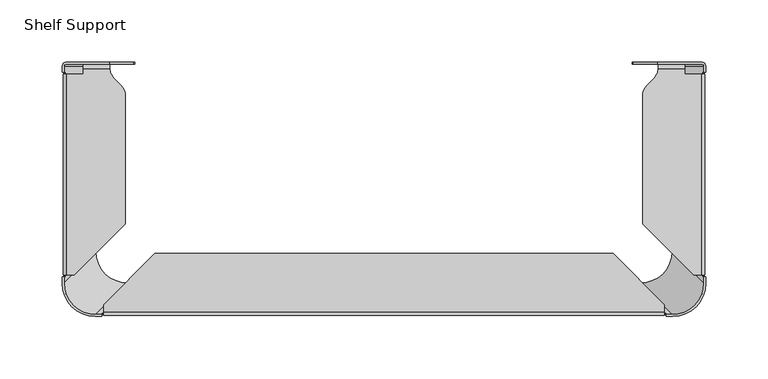
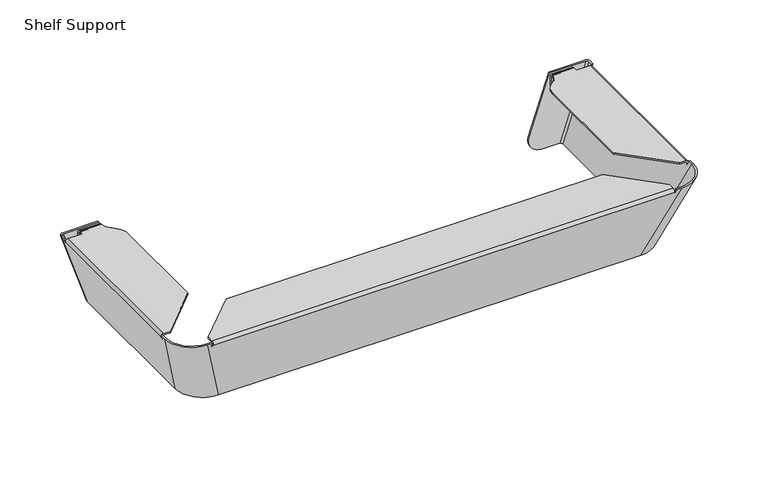
"""IFC4 building model written with IfcOpenShell, lengths in millimetres: furniture geometry, Shelf Support."""

import ifcopenshell
import ifcopenshell.guid

model = None  # the IFC model being written
_history = None  # IfcOwnerHistory: only IFC2X3 demands one
_inside = {}  # id of a spatial element -> (the spatial element, [elements in it])
_under = {}  # id of a project, library or spatial element -> (it, [spatial elements below it])
_declared = {}  # id of a project -> (the project, [libraries it declares])
_typed = {}  # id of a type object -> (the type object, [elements of that type])
_made_of = {}  # id of a material, layer set ... -> (it, [elements and type objects made of it])


def new_model(schema):
    """Start an empty IFC model of exactly this schema.

    Asked for "IFC4X3", IfcOpenShell would pick the latest addendum, in which some entities
    have other attributes; the version numbers below select the first issue.
    IFC2X3 requires an IfcOwnerHistory on every rooted entity: one is made here for all.
    """
    global model, _history
    if schema == "IFC4X3":
        model = ifcopenshell.file(schema_version=(4, 3, 0, 0))
    else:
        model = ifcopenshell.file(schema=schema)
    _inside.clear()
    _under.clear()
    _declared.clear()
    _typed.clear()
    _made_of.clear()
    _history = None
    if model.schema == "IFC2X3":
        org = make("IfcOrganization", Name="unknown")
        user = make(
            "IfcPersonAndOrganization",
            ThePerson=make("IfcPerson", FamilyName="unknown"),
            TheOrganization=org,
        )
        app = make(
            "IfcApplication",
            ApplicationDeveloper=org,
            Version="unknown",
            ApplicationFullName="unknown",
            ApplicationIdentifier="unknown",
        )
        _history = make(
            "IfcOwnerHistory",
            OwningUser=user,
            OwningApplication=app,
            ChangeAction="ADDED",
            CreationDate=0,
        )
    return model


def make(cls, **values):
    """One entity of the class cls with the attributes given. An attribute that is None is left unset."""
    return model.create_entity(
        cls, **{name: value for name, value in values.items() if value is not None}
    )


def rooted(cls, **values):
    """An entity with a GlobalId (a new one), such as an element, a storey or a relation."""
    return make(cls, GlobalId=ifcopenshell.guid.new(), OwnerHistory=_history, **values)


def si_unit(unit_type, name, prefix=None):
    """IfcSIUnit, for example si_unit("LENGTHUNIT", "METRE", prefix="MILLI")."""
    return make("IfcSIUnit", UnitType=unit_type, Prefix=prefix, Name=name)


def assignment(units):
    """IfcUnitAssignment: the units of a project."""
    return None if units is None else make("IfcUnitAssignment", Units=units)


def point(xyz):
    """IfcCartesianPoint."""
    return None if xyz is None else make("IfcCartesianPoint", Coordinates=xyz)


def direction(xyz):
    """IfcDirection."""
    return None if xyz is None else make("IfcDirection", DirectionRatios=xyz)


def frame(location, z_axis=None, x_axis=None):
    """IfcAxis2Placement3D, a coordinate frame: its origin and axes. An axis left out is left unset."""
    return make(
        "IfcAxis2Placement3D",
        Location=point(location),
        Axis=direction(z_axis),
        RefDirection=direction(x_axis),
    )


def frame_2d(location, x_axis=None):
    """IfcAxis2Placement2D, a coordinate frame in the plane: its origin and x axis."""
    return make(
        "IfcAxis2Placement2D", Location=point(location), RefDirection=direction(x_axis)
    )


def origin():
    """The frame at (0, 0, 0) with its axes left unset."""
    return frame((0.0, 0.0, 0.0))


def place(relative_to, where):
    """IfcLocalPlacement: puts the frame where relative to a parent placement (None: the world)."""
    return make(
        "IfcLocalPlacement", PlacementRelTo=relative_to, RelativePlacement=where
    )


def context(
    kind, dimensions, precision=None, world=None, true_north=None, identifier=None
):
    """IfcGeometricRepresentationContext, for example the 3D "Model" context."""
    return make(
        "IfcGeometricRepresentationContext",
        ContextIdentifier=identifier,
        ContextType=kind,
        CoordinateSpaceDimension=dimensions,
        Precision=precision,
        WorldCoordinateSystem=world,
        TrueNorth=true_north,
    )


def project(units=None, contexts=None):
    """IfcProject with its units and contexts."""
    return rooted(
        "IfcProject",
        Name="project",
        RepresentationContexts=contexts,
        UnitsInContext=assignment(units),
    )


def spatial(cls, under=None, at=None, **own):
    """A site, building, storey or space (cls), placed at a placement, below another one or the project."""
    s = rooted(cls, ObjectPlacement=at, **own)
    if under is not None:
        _under.setdefault(under.id(), (under, []))[1].append(s)
    return s


def polyline(points):
    """IfcPolyline through the points."""
    return make("IfcPolyline", Points=[point(p) for p in points])


def circle_curve(where, radius):
    """IfcCircle in the frame where."""
    return make("IfcCircle", Position=where, Radius=radius)


def ellipse_curve(where, semi_axis1, semi_axis2):
    """IfcEllipse in the frame where."""
    return make(
        "IfcEllipse", Position=where, SemiAxis1=semi_axis1, SemiAxis2=semi_axis2
    )


def trimmed(basis, trim1, trim2, sense, master):
    """IfcTrimmedCurve: the piece of a basis curve between two trims."""
    return make(
        "IfcTrimmedCurve",
        BasisCurve=basis,
        Trim1=trim1,
        Trim2=trim2,
        SenseAgreement=sense,
        MasterRepresentation=master,
    )


def segment(curve, same_sense, transition):
    """IfcCompositeCurveSegment."""
    return make(
        "IfcCompositeCurveSegment",
        Transition=transition,
        SameSense=same_sense,
        ParentCurve=curve,
    )


def composite_curve(segments, self_intersect=None):
    """IfcCompositeCurve: segments joined end to end."""
    return make("IfcCompositeCurve", Segments=segments, SelfIntersect=self_intersect)


def outline(outer, holes=None, kind="AREA"):
    """IfcArbitraryClosedProfileDef: a profile drawn as a closed curve; with holes, ...WithVoids."""
    if holes is None:
        return make("IfcArbitraryClosedProfileDef", ProfileType=kind, OuterCurve=outer)
    return make(
        "IfcArbitraryProfileDefWithVoids",
        ProfileType=kind,
        OuterCurve=outer,
        InnerCurves=holes,
    )


def extrude(swept, where, along, depth):
    """IfcExtrudedAreaSolid: the profile swept, set in the frame where, extruded along a direction by depth."""
    return make(
        "IfcExtrudedAreaSolid",
        SweptArea=swept,
        Position=where,
        ExtrudedDirection=direction(along),
        Depth=depth,
    )


def shape(context_of_items, identifier, shape_type, items):
    """IfcShapeRepresentation: the items that make up one representation, for example the "Body"."""
    return make(
        "IfcShapeRepresentation",
        ContextOfItems=context_of_items,
        RepresentationIdentifier=identifier,
        RepresentationType=shape_type,
        Items=items,
    )


def source(mapping_origin, context_of_items, identifier, shape_type, items):
    """IfcRepresentationMap: a shape defined once, which mapped items show again and again."""
    return make(
        "IfcRepresentationMap",
        MappingOrigin=mapping_origin,
        MappedRepresentation=shape(context_of_items, identifier, shape_type, items),
    )


def transform(
    local_origin,
    x_axis=None,
    y_axis=None,
    z_axis=None,
    scale=None,
    scale2=None,
    scale3=None,
    uniform=True,
):
    """IfcCartesianTransformationOperator3D, or its non-uniform kind. x_axis, y_axis, z_axis: its Axis1, 2, 3."""
    if uniform:
        return make(
            "IfcCartesianTransformationOperator3D",
            Axis1=direction(x_axis),
            Axis2=direction(y_axis),
            LocalOrigin=point(local_origin),
            Scale=scale,
            Axis3=direction(z_axis),
        )
    return make(
        "IfcCartesianTransformationOperator3DnonUniform",
        Axis1=direction(x_axis),
        Axis2=direction(y_axis),
        LocalOrigin=point(local_origin),
        Scale=scale,
        Axis3=direction(z_axis),
        Scale2=scale2,
        Scale3=scale3,
    )


def mapped(mapping_source, mapping_target):
    """IfcMappedItem: shows the shape of a source again, moved by a transform."""
    return make(
        "IfcMappedItem", MappingSource=mapping_source, MappingTarget=mapping_target
    )


def made_of(thing, what):
    """Note that an element or type object is made of a material, layer set ...; save() writes the relation."""
    if what is not None:
        _made_of.setdefault(what.id(), (what, []))[1].append(thing)
    return thing


def element(
    cls,
    number,
    at=None,
    inside=None,
    cuts=None,
    type_object=None,
    material=None,
    context=None,
    identifier="Body",
    shape_type=None,
    held_by="IfcProductDefinitionShape",
    body=None,
    shapes=None,
    **own,
):
    """One element of the class cls, such as IfcWall. Its Tag is "e" and its number.

    at: its placement. inside: the storey or other place that contains it. cuts: it is an
    opening in that element (IfcRelVoidsElement). A single representation is given by context,
    identifier, shape_type and body (its items); several are given by shapes. held_by: the class
    of the entity that holds the representations. save() writes the other relations.
    """
    e = rooted(cls, Tag="e%d" % number, ObjectPlacement=at, **own)
    if body is not None:
        shapes = [shape(context, identifier, shape_type, body)]
    if shapes is not None:
        e.Representation = make(held_by, Representations=shapes)
    if inside is not None:
        _inside.setdefault(inside.id(), (inside, []))[1].append(e)
    if cuts is not None:
        rooted(
            "IfcRelVoidsElement", RelatingBuildingElement=cuts, RelatedOpeningElement=e
        )
    if type_object is not None:
        _typed.setdefault(type_object.id(), (type_object, []))[1].append(e)
    return made_of(e, material)


def aggregate(whole, parts):
    """IfcRelAggregates: a whole, such as a stair, and the parts it consists of."""
    return rooted("IfcRelAggregates", RelatingObject=whole, RelatedObjects=parts)


def save(model, path):
    """Write the relations noted so far, then the file.

    IfcRelAggregates (storeys below a building ...), IfcRelContainedInSpatialStructure (elements
    in a storey), IfcRelDefinesByType, IfcRelAssociatesMaterial and IfcRelDeclares: one each for
    every whole, place, type object, material and project.
    """
    for whole, parts in _under.values():
        aggregate(whole, parts)
    for where, things in _inside.values():
        rooted(
            "IfcRelContainedInSpatialStructure",
            RelatedElements=things,
            RelatingStructure=where,
        )
    for kind, things in _typed.values():
        rooted("IfcRelDefinesByType", RelatedObjects=things, RelatingType=kind)
    for what, things in _made_of.values():
        rooted("IfcRelAssociatesMaterial", RelatedObjects=things, RelatingMaterial=what)
    for by, libraries in _declared.values():
        rooted("IfcRelDeclares", RelatingContext=by, RelatedDefinitions=libraries)
    model.write(path)


def plane_surface(at):
    """IfcPlane: the flat surface through the origin of the frame at, square to its z axis."""
    return make("IfcPlane", Position=at)


def cylinder_surface(at, radius):
    """IfcCylindricalSurface: all points at the distance radius from the z axis of the frame at."""
    return make("IfcCylindricalSurface", Position=at, Radius=radius)


def revolved_surface(curve, axis_point, axis_direction):
    """IfcSurfaceOfRevolution: the curve turned about the line through axis_point along axis_direction."""
    return make(
        "IfcSurfaceOfRevolution",
        SweptCurve=make("IfcArbitraryOpenProfileDef", ProfileType="CURVE", Curve=curve),
        AxisPosition=make("IfcAxis1Placement", Location=point(axis_point), Axis=direction(axis_direction)),
    )


def extruded_surface(curve, direction_of_extrusion, depth):
    """IfcSurfaceOfLinearExtrusion: the curve pushed along a direction by depth."""
    return make(
        "IfcSurfaceOfLinearExtrusion",
        SweptCurve=make("IfcArbitraryOpenProfileDef", ProfileType="CURVE", Curve=curve),
        ExtrudedDirection=direction(direction_of_extrusion),
        Depth=depth,
    )


def spline_surface(u_degree, v_degree, points, u_multiplicities, v_multiplicities, u_knots, v_knots, weights=None):
    """IfcBSplineSurfaceWithKnots; with weights, IfcRationalBSplineSurfaceWithKnots. points: one row for each step in u."""
    own = dict(
        UDegree=u_degree,
        VDegree=v_degree,
        ControlPointsList=[[point(p) for p in row] for row in points],
        SurfaceForm="UNSPECIFIED",
        UClosed=False,
        VClosed=False,
        SelfIntersect=False,
        UMultiplicities=u_multiplicities,
        VMultiplicities=v_multiplicities,
        UKnots=u_knots,
        VKnots=v_knots,
        KnotSpec="UNSPECIFIED",
    )
    if weights is None:
        return make("IfcBSplineSurfaceWithKnots", **own)
    return make("IfcRationalBSplineSurfaceWithKnots", WeightsData=weights, **own)


def advanced_brep(points, edges, surfaces, faces):
    """IfcAdvancedBrep: a solid bounded by faces that lie on surfaces and meet in shared edges.

    An edge is (start, end): straight between two places in points (the first is 0);
    or (start, end, curve); or (start, end, curve, False) where it runs against its curve.
    A face is (place in surfaces, loops), or (place, loops, False) where it looks against
    its surface's normal. A loop lists edges by number (the first is 1), with a minus sign
    where the edge is run from its end to its start. The first loop is the outer one.
    """
    corners = [point(p) for p in points]
    vertices = [make("IfcVertexPoint", VertexGeometry=c) for c in corners]
    made = []
    for start, end, *more in edges:
        made.append(
            make(
                "IfcEdgeCurve",
                EdgeStart=vertices[start],
                EdgeEnd=vertices[end],
                EdgeGeometry=more[0] if more else make("IfcPolyline", Points=[corners[start], corners[end]]),
                SameSense=more[1] if len(more) > 1 else True,
            )
        )
    hull = []
    for where, loops, *sense in faces:
        bounds = []
        for j, loop in enumerate(loops):
            ring = [make("IfcOrientedEdge", EdgeElement=made[abs(k) - 1], Orientation=k > 0) for k in loop]
            bounds.append(
                make(
                    "IfcFaceOuterBound" if j == 0 else "IfcFaceBound",
                    Bound=make("IfcEdgeLoop", EdgeList=ring),
                    Orientation=True,
                )
            )
        hull.append(make("IfcAdvancedFace", Bounds=bounds, FaceSurface=surfaces[where], SameSense=sense[0] if sense else True))
    return make("IfcAdvancedBrep", Outer=make("IfcClosedShell", CfsFaces=hull))


def shelf_support_c69478e1(model_context):
    return source(origin(), model_context, "Body", "SolidModel", [
        extrude(outline(composite_curve([segment(polyline([(-3.4925001, 17.1179992), (-3.4925001, 26.6430185)]), True, "CONTINUOUS"), segment(trimmed(circle_curve(frame_2d((-5.0800099, 26.6430185)), 1.5875098), [point((-3.4925001, 26.6430185))], [point((-5.0800003, 28.2305284))], True, "CARTESIAN"), True, "CONTINUOUS"), segment(polyline([(-5.0800003, 28.2305284), (-5.0800003, 29.8180178)]), True, "CONTINUOUS"), segment(trimmed(circle_curve(frame_2d((-5.0799218, 26.6430185)), 3.1749992), [point((-5.0800003, 29.8180178))], [point((-1.9049225, 26.6430185))], False, "CARTESIAN"), True, "CONTINUOUS"), segment(polyline([(-1.9049225, 26.6430185), (-1.9049225, 17.1179992), (-3.4925001, 17.1179992)]), True, "CONTINUOUS")], self_intersect=False)), frame((-241.5759521, 0.0, 0.0), z_axis=(1.0, 0.0, 0.0), x_axis=(0.0, 1.0, 0.0)), (0.0, 0.0, 1.0), 21.021137),
        extrude(outline(composite_curve([segment(polyline([(-3.4925001, 17.1179992), (-3.4925001, 26.6430185)]), True, "CONTINUOUS"), segment(trimmed(circle_curve(frame_2d((-5.0800099, 26.6430185)), 1.5875098), [point((-3.4925001, 26.6430185))], [point((-5.0800003, 28.2305284))], True, "CARTESIAN"), True, "CONTINUOUS"), segment(polyline([(-5.0800003, 28.2305284), (-5.0800003, 29.8180178)]), True, "CONTINUOUS"), segment(trimmed(circle_curve(frame_2d((-5.0799218, 26.6430185)), 3.1749992), [point((-5.0800003, 29.8180178))], [point((-1.9049225, 26.6430185))], False, "CARTESIAN"), True, "CONTINUOUS"), segment(polyline([(-1.9049225, 26.6430185), (-1.9049225, 17.1179992), (-3.4925001, 17.1179992)]), True, "CONTINUOUS")], self_intersect=False)), frame((220.5548152, 0.0, 0.0), z_axis=(1.0, 0.0, 0.0), x_axis=(0.0, 1.0, 0.0)), (0.0, 0.0, 1.0), 21.021137),
        advanced_brep(
        [(-257.175, -3.496826, 29.8412306), (-255.265674, -1.5875, 29.8412306), (-221.0035966, -1.5875, 29.8412306), (-221.0035966, 0.0, 29.8412306), (-255.3790309, 0.0, 29.8412306), (-258.6810309, -3.302, 29.8412306), (-258.6810309, -7.9374998, 29.8412306), (-257.175, -7.9374998, 29.8412306), (-258.6810309, -178.1630369, 29.8412306), (-232.1380309, -204.7060369, 29.8412306), (-227.0125061, -204.7060369, 29.8412306), (-227.0125061, -203.2000061, 29.8412306), (-231.775, -203.2000061, 29.8412306), (-257.175, -177.8000061, 29.8412306), (-257.175, -173.0374939, 29.8412306), (-258.6810309, -173.0374939, 29.8412306), (232.1380309, -204.7060369, 29.8412306), (258.6810309, -178.1630369, 29.8412306), (258.6810309, -173.0374939, 29.8412306), (257.175, -173.0374939, 29.8412306), (257.175, -177.8000061, 29.8412306), (231.775, -203.2000061, 29.8412306), (227.0125061, -203.2000061, 29.8412306), (227.0125061, -204.7060369, 29.8412306), (258.6810309, -3.302, 29.8412306), (255.3790309, 0.0, 29.8412306), (220.2401957, 0.0, 29.8412306), (220.2401957, -1.5875, 29.8412306), (255.265674, -1.5875, 29.8412306), (257.175, -3.496826, 29.8412306), (257.175, -7.9374998, 29.8412306), (258.6810309, -7.9374998, 29.8412306), (-231.7750061, -3.3655, -46.3819663), (-231.7750061, -152.3999939, -46.3819663), (-206.3750061, -177.7999939, -46.3819663), (206.3750061, -177.7999939, -46.3819663), (231.7750061, -152.3999939, -46.3819663), (231.7750061, -3.3655, -46.3819663), (229.9970061, -1.5875, -46.3819663), (212.24559, -1.5875, -46.3819663), (212.24559, 0.0, -46.3819663), (229.9790369, 0.0, -46.3819663), (233.2810369, -3.302, -46.3819663), (233.2810369, -152.3850676, -46.3819663), (206.3600615, -179.306043, -46.3819663), (-206.3600615, -179.306043, -46.3819663), (-233.2810369, -152.3850676, -46.3819663), (-233.2810369, -3.302, -46.3819663), (-229.9790369, 0.0, -46.3819663), (-213.0089909, 0.0, -46.3819663), (-213.0089909, -1.5875, -46.3819663), (-229.9970061, -1.5875, -46.3819663), (-209.7780594, -1.5875, -45.6108153), (-201.0727165, -1.5875, -29.9514281), (-201.0727165, 0.0, -29.9514281), (-209.7780594, 0.0, -45.6108153), (-257.5346385, -173.0374939, 26.4010055), (-257.2807158, -172.2754939, 25.6390055), (-257.2807158, -171.45, 25.6390055), (-257.5585966, -171.45, 26.4729018), (-257.5585966, -9.525, 26.4729018), (-257.2807158, -9.525, 25.6390055), (-257.2807158, -8.6983263, 25.6390055), (-257.5342474, -7.9374998, 26.399832), (227.0125061, -203.5596445, 26.4010055), (226.2505061, -203.3057219, 25.6390055), (225.4249939, -203.3057219, 25.6390055), (225.4249939, -203.5889132, 26.4888382), (-225.4249939, -203.5889132, 26.4888382), (-225.4249939, -203.3057219, 25.6390055), (-226.2505061, -203.3057219, 25.6390055), (-227.0125061, -203.5596445, 26.4010055), (257.5342474, -7.9374998, 26.399832), (257.2807158, -8.6983263, 25.6390055), (257.2807158, -9.525, 25.6390055), (257.5585966, -9.525, 26.4729018), (257.5585966, -171.45, 26.4729018), (257.2807158, -171.45, 25.6390055), (257.2807158, -172.2754939, 25.6390055), (257.5346385, -173.0374939, 26.4010055), (209.0146585, 0.0, -45.6108153), (200.3093156, 0.0, -29.9514281), (200.3093156, -1.5875, -29.9514281), (209.0146585, -1.5875, -45.6108153), (256.0286076, -173.0374939, 26.4010055), (255.7746849, -172.2754939, 25.6390055), (255.7746849, -171.45, 25.6390055), (256.142003, -171.45, 26.7412955), (256.142003, -9.525, 26.7412955), (255.7746849, -9.525, 25.6390055), (255.7746849, -8.6983263, 25.6390055), (256.0282165, -7.9374998, 26.399832), (-227.0125061, -202.0536128, 26.4010055), (-226.2505061, -201.79969, 25.6390055), (-225.4249939, -201.79969, 25.6390055), (-225.4249939, -202.1219343, 26.6060322), (225.4249939, -202.1219343, 26.6060322), (225.4249939, -201.79969, 25.6390055), (226.2505061, -201.79969, 25.6390055), (227.0125061, -202.0536128, 26.4010055), (-256.0282165, -7.9374998, 26.399832), (-255.7746849, -8.6983263, 25.6390055), (-255.7746849, -9.525, 25.6390055), (-256.142003, -9.525, 26.7412955), (-256.142003, -171.45, 26.7412955), (-255.7746849, -171.45, 25.6390055), (-255.7746849, -172.2754939, 25.6390055), (-256.0286076, -173.0374939, 26.4010055), (-225.4249939, -201.189137, 29.8180291), (-225.4249939, -195.1810369, 29.8180291), (-225.4249939, -195.1810369, 28.2305284), (-225.4249939, -200.9509511, 28.2305284), (225.4249939, -200.9509511, 28.2305284), (225.4249939, -195.1810369, 28.2305284), (225.4249939, -195.1810369, 29.8180291), (225.4249939, -201.189137, 29.8180291), (-184.1500061, -153.9060309, 28.2305284), (184.1500061, -153.9060309, 28.2305284), (-207.881043, -130.175003, 28.2305284), (-249.1560309, -171.45, 28.2305284), (-255.0685213, -171.45, 28.2305284), (-255.0685213, -9.525, 28.2305284), (-241.5759521, -9.525, 28.2305284), (-241.5759521, -5.0800003, 28.2305284), (-220.5548152, -5.0800003, 28.2305284), (-219.8562673, -7.8793823, 28.2305284), (-216.7661686, -13.3398657, 28.2305284), (-211.600783, -18.5052558, 28.2305284), (-207.881043, -27.4855081, 28.2305284), (207.881043, -130.175003, 28.2305284), (207.881043, -27.4855081, 28.2305284), (211.600783, -18.5052558, 28.2305284), (216.7661686, -13.3398657, 28.2305284), (219.8562673, -7.8793823, 28.2305284), (220.5548152, -5.0800003, 28.2305284), (241.5759521, -5.0800003, 28.2305284), (241.5759521, -9.525, 28.2305284), (255.0685213, -9.525, 28.2305284), (255.0685213, -171.45, 28.2305284), (249.1560309, -171.45, 28.2305284), (184.1500061, -153.9060309, 29.8180291), (-184.1500061, -153.9060309, 29.8180291), (-207.881043, -130.175003, 29.8180291), (-207.881043, -27.4855081, 29.8180291), (-211.600783, -18.5052558, 29.8180291), (-216.7661686, -13.3398657, 29.8180291), (-219.8562673, -7.8793823, 29.8180291), (-220.5548152, -5.0800003, 29.8180291), (-241.5759521, -5.0800003, 29.8180291), (-241.5759521, -9.525, 29.8180291), (-255.147333, -9.525, 29.8180291), (-255.147333, -171.45, 29.8180291), (-249.1560309, -171.45, 29.8180291), (207.881043, -130.175003, 29.8180291), (249.1560309, -171.45, 29.8180291), (255.147333, -171.45, 29.8180291), (255.147333, -9.525, 29.8180291), (241.5759521, -9.525, 29.8180291), (241.5759521, -5.0800003, 29.8180291), (220.5548152, -5.0800003, 29.8180291), (219.8562673, -7.8793823, 29.8180291), (216.7661686, -13.3398657, 29.8180291), (211.600783, -18.5052558, 29.8180291), (207.881043, -27.4855081, 29.8180291)],
        [
            (0, 1, circle_curve(frame((-255.265674, -3.496826, 29.8412306), z_axis=(0.0, 0.0, -1.0), x_axis=(1.0, 0.0, 0.0)), 1.909326)),
            (1, 2),
            (2, 3),
            (3, 4),
            (4, 5, circle_curve(frame((-255.3790309, -3.302, 29.8412306), z_axis=(0.0, 0.0, 1.0), x_axis=(1.0, 0.0, 0.0)), 3.302)),
            (5, 6),
            (6, 7),
            (7, 0),
            (8, 9, circle_curve(frame((-232.1380309, -178.1630369, 29.8412306), z_axis=(0.0, 0.0, 1.0), x_axis=(1.0, 0.0, 0.0)), 26.543)),
            (9, 10),
            (10, 11),
            (11, 12),
            (12, 13, circle_curve(frame((-231.775, -177.8000061, 29.8412306), z_axis=(0.0, 0.0, -1.0), x_axis=(1.0, 0.0, 0.0)), 25.4)),
            (13, 14),
            (14, 15),
            (15, 8),
            (16, 17, circle_curve(frame((232.1380309, -178.1630369, 29.8412306), z_axis=(0.0, 0.0, 1.0), x_axis=(-1.0, 0.0, 0.0)), 26.543)),
            (17, 18),
            (18, 19),
            (19, 20),
            (20, 21, circle_curve(frame((231.775, -177.8000061, 29.8412306), z_axis=(0.0, 0.0, -1.0), x_axis=(-1.0, 0.0, 0.0)), 25.4)),
            (21, 22),
            (22, 23),
            (23, 16),
            (24, 25, circle_curve(frame((255.3790309, -3.302, 29.8412306), z_axis=(0.0, 0.0, 1.0), x_axis=(-1.0, 0.0, 0.0)), 3.302)),
            (25, 26),
            (26, 27),
            (27, 28),
            (28, 29, circle_curve(frame((255.265674, -3.496826, 29.8412306), z_axis=(0.0, 0.0, -1.0), x_axis=(-1.0, 0.0, 0.0)), 1.909326)),
            (29, 30),
            (30, 31),
            (31, 24),
            (32, 33),
            (33, 34, circle_curve(frame((-206.3750061, -152.3999939, -46.3819663), z_axis=(0.0, 0.0, 1.0), x_axis=(1.0, 0.0, 0.0)), 25.4)),
            (34, 35),
            (35, 36, circle_curve(frame((206.3750061, -152.3999939, -46.3819663), z_axis=(0.0, 0.0, 1.0), x_axis=(-1.0, 0.0, 0.0)), 25.4)),
            (36, 37),
            (37, 38, circle_curve(frame((229.9970061, -3.3655, -46.3819663), z_axis=(0.0, 0.0, 1.0), x_axis=(-1.0, 0.0, 0.0)), 1.778)),
            (38, 39),
            (39, 40),
            (40, 41),
            (41, 42, circle_curve(frame((229.9790369, -3.302, -46.3819663), z_axis=(0.0, 0.0, -1.0), x_axis=(-1.0, 0.0, 0.0)), 3.302)),
            (42, 43),
            (43, 44, circle_curve(frame((206.3600615, -152.3850676, -46.3819663), z_axis=(0.0, 0.0, -1.0), x_axis=(-1.0, 0.0, 0.0)), 26.9209754)),
            (44, 45),
            (45, 46, circle_curve(frame((-206.3600615, -152.3850676, -46.3819663), z_axis=(0.0, 0.0, -1.0), x_axis=(1.0, 0.0, 0.0)), 26.9209754)),
            (46, 47),
            (47, 48, circle_curve(frame((-229.9790369, -3.302, -46.3819663), z_axis=(0.0, 0.0, -1.0), x_axis=(1.0, 0.0, 0.0)), 3.302)),
            (48, 49),
            (49, 50),
            (50, 51),
            (51, 32, circle_curve(frame((-229.9970061, -3.3655, -46.3819663), z_axis=(0.0, 0.0, 1.0), x_axis=(1.0, 0.0, 0.0)), 1.778)),
            (0, 32),
            (51, 1),
            (50, 52),
            (52, 53, circle_curve(frame((-212.5986138, -1.5875, -33.7933927), z_axis=(0.0, -1.0, 0.0), x_axis=(-1.0, 0.0, 0.0)), 12.1493622)),
            (53, 2),
            (48, 4),
            (3, 54),
            (54, 55, circle_curve(frame((-212.5986138, 0.0, -33.7933927), z_axis=(0.0, 1.0, 0.0), x_axis=(-1.0, 0.0, 0.0)), 12.1493622)),
            (55, 49),
            (47, 5),
            (46, 8),
            (15, 56),
            (56, 57, ellipse_curve(frame((-257.5346385, -172.2754939, 26.4010055), z_axis=(0.9487121887291814, 0.0, 0.31614108077990455), x_axis=(0.31614108077990455, 0.0, -0.9487121887291815)), 0.8031941, 0.762)),
            (57, 58),
            (58, 59),
            (59, 60),
            (60, 61),
            (61, 62),
            (62, 63, ellipse_curve(frame((-257.5342474, -8.6983263, 26.399832), z_axis=(0.9487121887291814, 0.0, 0.31614108077990455), x_axis=(0.31614108077990455, 0.0, -0.9487121887291815)), 0.8019571, 0.7608265)),
            (63, 6),
            (45, 9),
            (44, 16),
            (23, 64),
            (64, 65, ellipse_curve(frame((226.2505061, -203.5596445, 26.4010055), z_axis=(0.0, 0.948712188729184, 0.31614108077989694), x_axis=(0.0, -0.31614108077989667, 0.948712188729184)), 0.8031941, 0.762)),
            (65, 66),
            (66, 67),
            (67, 68),
            (68, 69),
            (69, 70),
            (70, 71, ellipse_curve(frame((-226.2505061, -203.5596445, 26.4010055), z_axis=(0.0, 0.948712188729184, 0.31614108077989694), x_axis=(0.0, -0.31614108077989667, 0.948712188729184)), 0.8031941, 0.762)),
            (71, 10),
            (43, 17),
            (42, 24),
            (31, 72),
            (72, 73, ellipse_curve(frame((257.5342474, -8.6983263, 26.399832), z_axis=(-0.9487121887291814, 0.0, 0.31614108077990455), x_axis=(0.3161410807799046, 0.0, 0.9487121887291813)), 0.8019571, 0.7608265)),
            (73, 74),
            (74, 75),
            (75, 76),
            (76, 77),
            (77, 78),
            (78, 79, ellipse_curve(frame((257.5346385, -172.2754939, 26.4010055), z_axis=(-0.9487121887291814, 0.0, 0.31614108077990455), x_axis=(0.3161410807799046, 0.0, 0.9487121887291813)), 0.8031941, 0.762)),
            (79, 18),
            (41, 25),
            (40, 80),
            (80, 81, circle_curve(frame((211.8352129, 0.0, -33.7933927), z_axis=(0.0, 1.0, 0.0), x_axis=(1.0, 0.0, 0.0)), 12.1493622)),
            (81, 26),
            (38, 28),
            (27, 82),
            (82, 83, circle_curve(frame((211.8352129, -1.5875, -33.7933927), z_axis=(0.0, -1.0, 0.0), x_axis=(1.0, 0.0, 0.0)), 12.1493622)),
            (83, 39),
            (37, 29),
            (36, 20),
            (19, 84),
            (84, 85, ellipse_curve(frame((256.0286076, -172.2754939, 26.4010055), z_axis=(0.9487121887291814, 0.0, -0.31614108077990455), x_axis=(0.3161410807799046, 0.0, 0.9487121887291813)), 0.8031941, 0.762)),
            (85, 86),
            (86, 87),
            (87, 88),
            (88, 89),
            (89, 90),
            (90, 91, ellipse_curve(frame((256.0282165, -8.6983263, 26.399832), z_axis=(0.9487121887291814, 0.0, -0.31614108077990455), x_axis=(0.3161410807799046, 0.0, 0.9487121887291813)), 0.8019571, 0.7608265)),
            (91, 30),
            (35, 21),
            (34, 12),
            (11, 92),
            (92, 93, ellipse_curve(frame((-226.2505061, -202.0536128, 26.4010055), z_axis=(0.0, -0.9487121209091595, -0.3161412843018838), x_axis=(0.0, -0.31614128430188315, 0.9487121209091598)), 0.8031941, 0.762)),
            (93, 94),
            (94, 95),
            (95, 96),
            (96, 97),
            (97, 98),
            (98, 99, ellipse_curve(frame((226.2505061, -202.0536128, 26.4010055), z_axis=(0.0, -0.9487121209091595, -0.3161412843018838), x_axis=(0.0, -0.31614128430188315, 0.9487121209091598)), 0.8031941, 0.762)),
            (99, 22),
            (33, 13),
            (7, 100),
            (100, 101, ellipse_curve(frame((-256.0282165, -8.6983263, 26.399832), z_axis=(-0.9487121887291814, 0.0, -0.31614108077990455), x_axis=(0.31614108077990455, 0.0, -0.9487121887291815)), 0.8019571, 0.7608265)),
            (101, 102),
            (102, 103),
            (103, 104),
            (104, 105),
            (105, 106),
            (106, 107, ellipse_curve(frame((-256.0286076, -172.2754939, 26.4010055), z_axis=(-0.9487121887291814, 0.0, -0.31614108077990455), x_axis=(0.31614108077990455, 0.0, -0.9487121887291815)), 0.8031941, 0.762)),
            (107, 14),
            (81, 82),
            (83, 80),
            (54, 53),
            (52, 55),
            (91, 72),
            (63, 100),
            (79, 84),
            (107, 56),
            (78, 85),
            (106, 57),
            (77, 86),
            (105, 58),
            (73, 90),
            (89, 74),
            (101, 62),
            (61, 102),
            (92, 71),
            (70, 93),
            (69, 94),
            (65, 98),
            (97, 66),
            (64, 99),
            (68, 108, circle_curve(frame((-225.4249939, -201.189137, 27.28852), z_axis=(-1.0, 0.0, 0.0), x_axis=(0.0, -1.0, 0.0)), 2.5295092)),
            (108, 109),
            (109, 110),
            (110, 111),
            (111, 95, circle_curve(frame((-225.4249939, -200.9509511, 26.9962413), z_axis=(1.0, 0.0, 0.0), x_axis=(0.0, -1.0, 0.0)), 1.2342871)),
            (96, 112, circle_curve(frame((225.4249939, -200.9509511, 26.9962413), z_axis=(-1.0, 0.0, 0.0), x_axis=(0.0, -1.0, 0.0)), 1.2342871)),
            (112, 113),
            (113, 114),
            (114, 115),
            (115, 67, circle_curve(frame((225.4249939, -201.189137, 27.28852), z_axis=(1.0, 0.0, 0.0), x_axis=(0.0, -1.0, 0.0)), 2.5295092)),
            (111, 112),
            (110, 116),
            (116, 117),
            (117, 113),
            (118, 119),
            (119, 120),
            (120, 121),
            (121, 122),
            (122, 123),
            (123, 124),
            (124, 125),
            (125, 126, circle_curve(frame((-208.4625235, -5.0362278, 28.2305284), z_axis=(0.0, 0.0, 1.0), x_axis=(1.0, 0.0, 0.0)), 11.7431225)),
            (126, 127),
            (127, 128, circle_curve(frame((-220.581043, -27.4855081, 28.2305284), z_axis=(0.0, 0.0, -1.0), x_axis=(1.0, 0.0, 0.0)), 12.7)),
            (128, 118),
            (129, 130),
            (130, 131, circle_curve(frame((220.581043, -27.4855081, 28.2305284), z_axis=(0.0, 0.0, -1.0), x_axis=(-1.0, 0.0, 0.0)), 12.7)),
            (131, 132),
            (132, 133, circle_curve(frame((208.4625235, -5.0362278, 28.2305284), z_axis=(0.0, 0.0, 1.0), x_axis=(-1.0, 0.0, 0.0)), 11.7431225)),
            (133, 134),
            (134, 135),
            (135, 136),
            (136, 137),
            (137, 138),
            (138, 139),
            (139, 129),
            (108, 115),
            (114, 140),
            (140, 141),
            (141, 109),
            (142, 143),
            (143, 144, circle_curve(frame((-220.581043, -27.4855081, 29.8180291), z_axis=(0.0, 0.0, 1.0), x_axis=(1.0, 0.0, 0.0)), 12.7)),
            (144, 145),
            (145, 146, circle_curve(frame((-208.4625235, -5.0362278, 29.8180291), z_axis=(0.0, 0.0, -1.0), x_axis=(1.0, 0.0, 0.0)), 11.7431225)),
            (146, 147),
            (147, 148),
            (148, 149),
            (149, 150),
            (150, 151),
            (151, 152),
            (152, 142),
            (153, 154),
            (154, 155),
            (155, 156),
            (156, 157),
            (157, 158),
            (158, 159),
            (159, 160),
            (160, 161, circle_curve(frame((208.4625235, -5.0362278, 29.8180291), z_axis=(0.0, 0.0, -1.0), x_axis=(-1.0, 0.0, 0.0)), 11.7431225)),
            (161, 162),
            (162, 163, circle_curve(frame((220.581043, -27.4855081, 29.8180291), z_axis=(0.0, 0.0, 1.0), x_axis=(-1.0, 0.0, 0.0)), 12.7)),
            (163, 153),
            (138, 87, circle_curve(frame((255.0685213, -171.45, 27.0990138), z_axis=(0.0, 1.0, 0.0), x_axis=(-1.0, 0.0, 0.0)), 1.1315146)),
            (76, 155, circle_curve(frame((255.147333, -171.45, 27.2764115), z_axis=(0.0, -1.0, 0.0), x_axis=(-1.0, 0.0, 0.0)), 2.5416176)),
            (154, 139),
            (151, 59, circle_curve(frame((-255.147333, -171.45, 27.2764115), z_axis=(0.0, -1.0, 0.0), x_axis=(1.0, 0.0, 0.0)), 2.5416176)),
            (104, 120, circle_curve(frame((-255.0685213, -171.45, 27.0990138), z_axis=(0.0, 1.0, 0.0), x_axis=(1.0, 0.0, 0.0)), 1.1315146)),
            (119, 152),
            (121, 103, circle_curve(frame((-255.0685213, -9.525, 27.0990138), z_axis=(0.0, -1.0, 0.0), x_axis=(1.0, 0.0, 0.0)), 1.1315146)),
            (60, 150, circle_curve(frame((-255.147333, -9.525, 27.2764115), z_axis=(0.0, 1.0, 0.0), x_axis=(1.0, 0.0, 0.0)), 2.5416176)),
            (149, 122),
            (156, 75, circle_curve(frame((255.147333, -9.525, 27.2764115), z_axis=(0.0, 1.0, 0.0), x_axis=(-1.0, 0.0, 0.0)), 2.5416176)),
            (88, 137, circle_curve(frame((255.0685213, -9.525, 27.0990138), z_axis=(0.0, -1.0, 0.0), x_axis=(-1.0, 0.0, 0.0)), 1.1315146)),
            (136, 157),
            (116, 141),
            (140, 117),
            (128, 143),
            (142, 118),
            (127, 144),
            (126, 145),
            (125, 146),
            (124, 147),
            (123, 148),
            (153, 129),
            (135, 158),
            (134, 159),
            (133, 160),
            (132, 161),
            (131, 162),
            (130, 163),
        ],
        [
            plane_surface(frame((0.0, -77.3842912, 29.8412306), z_axis=(0.0, 0.0, 1.0), x_axis=(0.0, -1.0, 0.0))),
            plane_surface(frame((0.0, -67.1733599, -46.3819663), z_axis=(0.0, 0.0, -1.0), x_axis=(0.0, -1.0, 0.0))),
            spline_surface(2, 1, [[(-231.7750061, -3.3655, -46.3819663), (-257.175, -3.496826, 29.8412306)], [(-231.77500610000004, -1.58749999999998, -46.3819663), (-257.175, -1.5874999999999786, 29.8412306)], [(-229.9970061, -1.5875, -46.3819663), (-255.265674, -1.5875, 29.8412306)]], [3, 3], [2, 2], [0.0, 1.0], [0.0, 1.0], weights=[[1.0, 1.0], [0.7071067811865436, 0.7071067811865436], [1.0, 1.0]]),
            plane_surface(frame((-214.700283, -1.5875, -46.3819663), z_axis=(0.0, -1.0, 0.0), x_axis=(1.0, 0.0, 0.0))),
            plane_surface(frame((-214.7394514, 0.0, -46.3819663), z_axis=(0.0, 1.0, 0.0), x_axis=(-1.0, 0.0, 0.0))),
            extruded_surface(trimmed(circle_curve(frame((-229.9790369, -3.302, -46.3819663), z_axis=(0.0, 0.0, 1.0), x_axis=(1.0, 0.0, 0.0)), 3.302), [point((-229.9790369, 0.0, -46.3819663))], [point((-233.2810369, -3.302, -46.3819663))], True, "CARTESIAN"), (-25.399993999999992, 0.0, 76.2231969), 80.34385751789745),
            plane_surface(frame((-233.2810369, -77.8435338, -46.3819663), z_axis=(-0.9487121887291814, 0.0, -0.31614108077990455), x_axis=(0.0, -1.0, 0.0))),
            spline_surface(2, 1, [[(-233.2810369, -152.3850676, -46.3819663), (-258.6810309, -178.1630369, 29.8412306)], [(-233.28103690000003, -179.30604300000002, -46.3819663), (-258.6810309, -204.70603690000002, 29.8412306)], [(-206.3600615, -179.306043, -46.3819663), (-232.1380309, -204.7060369, 29.8412306)]], [3, 3], [2, 2], [0.0, 1.0], [0.0, 1.0], weights=[[1.0, 1.0], [0.7071067811865472, 0.7071067811865472], [1.0, 1.0]]),
            plane_surface(frame((0.0, -179.306043, -46.3819663), z_axis=(0.0, -0.948712188729184, -0.31614108077989694), x_axis=(1.0, 0.0, 0.0))),
            spline_surface(2, 1, [[(206.3600615, -179.306043, -46.3819663), (232.1380309, -204.7060369, 29.8412306)], [(233.28103689999998, -179.30604299999996, -46.3819663), (258.6810309, -204.70603689999996, 29.8412306)], [(233.2810369, -152.3850676, -46.3819663), (258.6810309, -178.1630369, 29.8412306)]], [3, 3], [2, 2], [0.0, 1.0], [0.0, 1.0], weights=[[1.0, 1.0], [0.7071067811865479, 0.7071067811865479], [1.0, 1.0]]),
            plane_surface(frame((233.2810369, -77.8435338, -46.3819663), z_axis=(0.9487121887291814, 0.0, -0.31614108077990455), x_axis=(0.0, 1.0, 0.0))),
            extruded_surface(trimmed(circle_curve(frame((229.9790369, -3.302, -46.3819663), z_axis=(0.0, 0.0, 1.0), x_axis=(-1.0, 0.0, 0.0)), 3.302), [point((233.2810369, -3.302, -46.3819663))], [point((229.9790369, 0.0, -46.3819663))], True, "CARTESIAN"), (25.399993999999992, 0.0, 76.2231969), 80.34385751789745),
            plane_surface(frame((214.7394514, 0.0, -46.3819663), z_axis=(0.0, 1.0, 0.0), x_axis=(-1.0, 0.0, 0.0))),
            plane_surface(frame((214.700283, -1.5875, -46.3819663), z_axis=(0.0, -1.0, 0.0), x_axis=(1.0, 0.0, 0.0))),
            spline_surface(2, 1, [[(229.9970061, -1.5875, -46.3819663), (255.265674, -1.5875, 29.8412306)], [(231.77500609999998, -1.5875000000000197, -46.3819663), (257.175, -1.587500000000021, 29.8412306)], [(231.7750061, -3.3655, -46.3819663), (257.175, -3.496826, 29.8412306)]], [3, 3], [2, 2], [0.0, 1.0], [0.0, 1.0], weights=[[1.0, 1.0], [0.7071067811865515, 0.7071067811865515], [1.0, 1.0]]),
            plane_surface(frame((231.7750061, -77.882747, -46.3819663), z_axis=(-0.9487121887291814, 0.0, 0.31614108077990455), x_axis=(0.0, -1.0, 0.0))),
            extruded_surface(trimmed(circle_curve(frame((206.3750061, -152.3999939, -46.3819663), z_axis=(0.0, 0.0, -1.0), x_axis=(-1.0, 0.0, 0.0)), 25.4), [point((231.7750061, -152.3999939, -46.3819663))], [point((206.3750061, -177.7999939, -46.3819663))], True, "CARTESIAN"), (25.3999939, -25.400012199999992, 76.2231969), 84.26325447985234),
            plane_surface(frame((0.0, -177.7999939, -46.3819663), z_axis=(0.0, 0.9487121209091595, 0.3161412843018838), x_axis=(-1.0, 0.0, 0.0))),
            extruded_surface(trimmed(circle_curve(frame((-206.3750061, -152.3999939, -46.3819663), z_axis=(0.0, 0.0, -1.0), x_axis=(1.0, 0.0, 0.0)), 25.4), [point((-206.3750061, -177.7999939, -46.3819663))], [point((-231.7750061, -152.3999939, -46.3819663))], True, "CARTESIAN"), (-25.3999939, -25.400012199999992, 76.2231969), 84.26325447985234),
            plane_surface(frame((-231.7750061, -77.882747, -46.3819663), z_axis=(0.9487121887291814, 0.0, 0.31614108077990455), x_axis=(0.0, 1.0, 0.0))),
            plane_surface(frame((200.3093156, -2.4565298, -29.9514281), z_axis=(-0.9486833270474324, 0.0, 0.31622767902606896), x_axis=(0.0, 1.0, 0.0))),
            plane_surface(frame((212.24559, -2.4565298, -46.3819663), z_axis=(-0.23215658282416163, 0.0, -0.9726784263318521), x_axis=(0.0, 1.0, 0.0))),
            cylinder_surface(frame((211.8352129, 0.3339036, -33.7933927), z_axis=(0.0, 1.0, 0.0), x_axis=(1.0, 0.0, 0.0)), 12.1493622),
            cylinder_surface(frame((-212.5986138, 0.0, -33.7933927), z_axis=(0.0, 1.0, 0.0), x_axis=(-1.0, 0.0, 0.0)), 12.1493622),
            plane_surface(frame((-209.7780594, -2.4565298, -45.6108153), z_axis=(0.23215658282414478, 0.0, -0.9726784263318561), x_axis=(0.0, 1.0, 0.0))),
            plane_surface(frame((-221.0035966, -2.4565298, 29.8412306), z_axis=(0.948683327047439, 0.0, 0.31622767902604954), x_axis=(0.0, 1.0, 0.0))),
            plane_surface(frame((259.7407169, -7.9374998, 26.399832), z_axis=(0.0, -1.0, 0.0), x_axis=(-1.0, 0.0, 0.0))),
            plane_surface(frame((259.7407169, -173.0374939, 30.3200447), z_axis=(0.0, 1.0, 0.0), x_axis=(-1.0, 0.0, 0.0))),
            revolved_surface(polyline([(257.78856115085017, -173.0374939, 26.4010055), (255.77468490000007, -173.0374939, 26.4010055)]), (-259.6271804, -172.2754939, 26.4010055), (1.0, 0.0, 0.0)),
            revolved_surface(polyline([(-255.7746849, -173.0374939, 26.4010055), (-257.78856115085006, -173.0374939, 26.4010055)]), (-259.6271804, -172.2754939, 26.4010055), (1.0, 0.0, 0.0)),
            plane_surface(frame((259.7407169, -172.2754939, 25.6390055), z_axis=(0.0, 0.0, 1.0), x_axis=(-1.0, 0.0, 0.0))),
            revolved_surface(polyline([(257.7877789843331, -9.4591528, 26.399832), (255.77468490000007, -9.4591528, 26.399832)]), (-259.6271804, -8.6983263, 26.399832), (1.0, 0.0, 0.0)),
            revolved_surface(polyline([(-255.7746849, -9.4591528, 26.399832), (-257.78777898433316, -9.4591528, 26.399832)]), (-259.6271804, -8.6983263, 26.399832), (1.0, 0.0, 0.0)),
            revolved_surface(polyline([(-225.4885061, -203.81356715085002, 26.4010055), (-225.4885061, -201.7996899856823, 26.4010055)]), (-226.2505061, -201.375078, 26.4010055), (0.0, -1.0, 0.0)),
            plane_surface(frame((-226.2505061, -205.0456083, 25.6390055), z_axis=(0.0, 0.0, 1.0), x_axis=(0.0, 1.0, 0.0))),
            revolved_surface(polyline([(227.0125061, -203.81356715085002, 26.4010055), (227.0125061, -201.7996899856823, 26.4010055)]), (226.2505061, -201.375078, 26.4010055), (0.0, -1.0, 0.0)),
            plane_surface(frame((227.0125061, -205.0456083, 26.4010055), z_axis=(-1.0, 0.0, 0.0), x_axis=(0.0, 1.0, 0.0))),
            plane_surface(frame((-227.0125061, -205.0456083, 30.3200447), z_axis=(1.0, 0.0, 0.0), x_axis=(0.0, 1.0, 0.0))),
            plane_surface(frame((-225.4249939, -203.3057219, 25.6390055), z_axis=(-1.0, 0.0, 0.0), x_axis=(0.0, -1.0, 0.0))),
            plane_surface(frame((225.4249939, -203.3057219, 25.6390055), z_axis=(1.0, 0.0, 0.0), x_axis=(0.0, 1.0, 0.0))),
            revolved_surface(polyline([(-225.4249939, -202.1852382, 26.9962413), (225.4249939, -202.1852382, 26.9962413)]), (-225.4249939, -200.9509511, 26.9962413), (-1.0, 0.0, 0.0)),
            plane_surface(frame((225.4249939, -200.9509511, 28.2305284), z_axis=(0.0, 0.0, -1.0), x_axis=(-1.0, 0.0, 0.0))),
            plane_surface(frame((225.4249939, -200.1390608, 29.8180291), z_axis=(0.0, 0.0, 1.0), x_axis=(-1.0, 0.0, 0.0))),
            cylinder_surface(frame((-225.4249939, -201.189137, 27.28852), z_axis=(1.0, 0.0, 0.0), x_axis=(0.0, -1.0, 0.0)), 2.5295092),
            plane_surface(frame((254.2759582, -171.45, 29.8180291), z_axis=(0.0, -1.0, 0.0), x_axis=(0.0, 0.0, -1.0))),
            plane_surface(frame((254.2759582, -9.525, 29.8180291), z_axis=(0.0, 1.0, 0.0), x_axis=(0.0, 0.0, 1.0))),
            cylinder_surface(frame((255.147333, -171.45, 27.2764115), z_axis=(0.0, 1.0, 0.0), x_axis=(-1.0, 0.0, 0.0)), 2.5416176),
            revolved_surface(polyline([(253.93700669999998, -171.45, 27.0990138), (253.93700669999998, -9.525000000000006, 27.0990138)]), (255.0685213, -171.45, 27.0990138), (0.0, -1.0, 0.0)),
            revolved_surface(polyline([(-253.93700669999998, -171.45, 27.0990138), (-253.93700669999998, -9.525, 27.0990138)]), (-255.0685213, -9.525, 27.0990138), (0.0, -1.0, 0.0)),
            cylinder_surface(frame((-255.147333, -9.525, 27.2764115), z_axis=(0.0, 1.0, 0.0), x_axis=(1.0, 0.0, 0.0)), 2.5416176),
            plane_surface(frame((184.1500061, -153.9060309, 29.8180291), z_axis=(0.0, 1.0, 0.0), x_axis=(0.0, 0.0, -1.0))),
            plane_surface(frame((-184.1500061, -153.9060309, 29.8180291), z_axis=(-0.7071069368056748, 0.707106625567386, 0.0), x_axis=(0.0, 0.0, -1.0))),
            plane_surface(frame((225.4249939, -195.1810369, 29.8180291), z_axis=(0.7071069368056748, 0.707106625567386, 0.0), x_axis=(0.0, 0.0, -1.0))),
            plane_surface(frame((-207.881043, -130.175003, 29.8180291), z_axis=(1.0, 0.0, 0.0), x_axis=(0.0, 0.0, -1.0))),
            cylinder_surface(frame((-220.581043, -27.4855081, 29.8412306), z_axis=(0.0, 0.0, 1.0), x_axis=(1.0, 0.0, 0.0)), 12.7),
            plane_surface(frame((-211.600783, -18.5052558, 29.8180291), z_axis=(0.707107086441098, 0.7071064759318653, 0.0), x_axis=(0.0, 0.0, -1.0))),
            revolved_surface(polyline([(-196.719401, -5.0362278, 28.2305284), (-196.719401, -5.0362278, 29.8180291)]), (-208.4625235, -5.0362278, 29.8412306), (0.0, 0.0, -1.0)),
            plane_surface(frame((-219.8562673, -7.8793823, 29.8180291), z_axis=(0.9702482318566694, 0.24211230571577042, 0.0), x_axis=(0.0, 0.0, -1.0))),
            plane_surface(frame((-220.5548152, -5.0800003, 29.8180291), z_axis=(0.0, 1.0, 0.0), x_axis=(0.0, 0.0, -1.0))),
            plane_surface(frame((-241.5759521, -5.0800003, 29.8180291), z_axis=(-1.0, 0.0, 0.0), x_axis=(0.0, 0.0, -1.0))),
            plane_surface(frame((-249.1560309, -171.45, 29.8180291), z_axis=(0.707106858996124, -0.7071067033769625, 0.0), x_axis=(0.0, 0.0, -1.0))),
            plane_surface(frame((207.881043, -130.175003, 29.8180291), z_axis=(-0.707106858996124, -0.7071067033769625, 0.0), x_axis=(0.0, 0.0, -1.0))),
            plane_surface(frame((241.5759521, -9.525, 29.8180291), z_axis=(1.0, 0.0, 0.0), x_axis=(0.0, 0.0, -1.0))),
            plane_surface(frame((241.5759521, -5.0800003, 29.8180291), z_axis=(0.0, 1.0, 0.0), x_axis=(0.0, 0.0, -1.0))),
            plane_surface(frame((220.5548152, -5.0800003, 29.8180291), z_axis=(-0.9702482318566694, 0.24211230571577042, 0.0), x_axis=(0.0, 0.0, -1.0))),
            revolved_surface(polyline([(196.719401, -5.0362278, 28.2305284), (196.719401, -5.0362278, 29.8180291)]), (208.4625235, -5.0362278, 29.8412306), (0.0, 0.0, -1.0)),
            plane_surface(frame((216.7661686, -13.3398657, 29.8180291), z_axis=(-0.707107086441098, 0.7071064759318653, 0.0), x_axis=(0.0, 0.0, -1.0))),
            cylinder_surface(frame((220.581043, -27.4855081, 29.8412306), z_axis=(0.0, 0.0, 1.0), x_axis=(-1.0, 0.0, 0.0)), 12.7),
            plane_surface(frame((207.881043, -27.4855081, 29.8180291), z_axis=(-1.0, 0.0, 0.0), x_axis=(0.0, 0.0, -1.0))),
        ],
        [
            (0, [[1, 2, 3, 4, 5, 6, 7, 8]]),
            (0, [[9, 10, 11, 12, 13, 14, 15, 16]]),
            (0, [[17, 18, 19, 20, 21, 22, 23, 24]]),
            (0, [[25, 26, 27, 28, 29, 30, 31, 32]]),
            (1, [[33, 34, 35, 36, 37, 38, 39, 40, 41, 42, 43, 44, 45, 46, 47, 48, 49, 50, 51, 52]]),
            (2, [[-1, 53, -52, 54]]),
            (3, [[-54, -51, 55, 56, 57, -2]]),
            (4, [[58, -4, 59, 60, 61, -49]]),
            (5, [[-5, -58, -48, 62]]),
            (6, [[-47, 63, -16, 64, 65, 66, 67, 68, 69, 70, 71, 72, -6, -62]]),
            (7, [[-9, -63, -46, 73]]),
            (8, [[-45, 74, -24, 75, 76, 77, 78, 79, 80, 81, 82, 83, -10, -73]]),
            (9, [[-17, -74, -44, 84]]),
            (10, [[-43, 85, -32, 86, 87, 88, 89, 90, 91, 92, 93, 94, -18, -84]]),
            (11, [[-25, -85, -42, 95]]),
            (12, [[-95, -41, 96, 97, 98, -26]]),
            (13, [[99, -28, 100, 101, 102, -39]]),
            (14, [[-29, -99, -38, 103]]),
            (15, [[-37, 104, -20, 105, 106, 107, 108, 109, 110, 111, 112, 113, -30, -103]]),
            (16, [[-21, -104, -36, 114]]),
            (17, [[-35, 115, -12, 116, 117, 118, 119, 120, 121, 122, 123, 124, -22, -114]]),
            (18, [[-13, -115, -34, 125]]),
            (19, [[-33, -53, -8, 126, 127, 128, 129, 130, 131, 132, 133, 134, -14, -125]]),
            (20, [[135, -100, -27, -98]]),
            (21, [[136, -96, -40, -102]]),
            (22, [[-135, -97, -136, -101]]),
            (23, [[137, -56, 138, -60]]),
            (24, [[-138, -55, -50, -61]]),
            (25, [[-137, -59, -3, -57]]),
            (26, [[139, -86, -31, -113]]),
            (26, [[140, -126, -7, -72]]),
            (27, [[141, -105, -19, -94]]),
            (27, [[142, -64, -15, -134]]),
            (28, [[-141, -93, 143, -106]]),
            (29, [[-142, -133, 144, -65]]),
            (30, [[-143, -92, 145, -107]]),
            (30, [[-144, -132, 146, -66]]),
            (30, [[147, -111, 148, -88]]),
            (30, [[149, -70, 150, -128]]),
            (31, [[-139, -112, -147, -87]]),
            (32, [[-140, -71, -149, -127]]),
            (33, [[151, -82, 152, -117]]),
            (34, [[-152, -81, 153, -118]]),
            (34, [[154, -122, 155, -77]]),
            (35, [[-154, -76, 156, -123]]),
            (36, [[-156, -75, -23, -124]]),
            (37, [[-151, -116, -11, -83]]),
            (38, [[-80, 157, 158, 159, 160, 161, -119, -153]]),
            (39, [[-121, 162, 163, 164, 165, 166, -78, -155]]),
            (40, [[-161, 167, -162, -120]]),
            (41, [[-160, 168, 169, 170, -163, -167]]),
            (41, [[171, 172, 173, 174, 175, 176, 177, 178, 179, 180, 181]]),
            (41, [[182, 183, 184, 185, 186, 187, 188, 189, 190, 191, 192]]),
            (42, [[-158, 193, -165, 194, 195, 196]]),
            (42, [[197, 198, 199, 200, 201, 202, 203, 204, 205, 206, 207]]),
            (42, [[208, 209, 210, 211, 212, 213, 214, 215, 216, 217, 218]]),
            (43, [[-157, -79, -166, -193]]),
            (44, [[-191, 219, -108, -145, -91, 220, -209, 221]]),
            (44, [[-206, 222, -67, -146, -131, 223, -172, 224]]),
            (45, [[-174, 225, -129, -150, -69, 226, -204, 227]]),
            (45, [[-211, 228, -89, -148, -110, 229, -189, 230]]),
            (46, [[-220, -90, -228, -210]]),
            (47, [[-219, -190, -229, -109]]),
            (48, [[-223, -130, -225, -173]]),
            (49, [[-222, -205, -226, -68]]),
            (50, [[-169, 231, -195, 232]]),
            (51, [[-168, -159, -196, -231]]),
            (52, [[-170, -232, -194, -164]]),
            (53, [[-181, 233, -197, 234]]),
            (54, [[-180, 235, -198, -233]]),
            (55, [[-179, 236, -199, -235]]),
            (56, [[-178, 237, -200, -236]]),
            (57, [[-177, 238, -201, -237]]),
            (58, [[-176, 239, -202, -238]]),
            (59, [[-175, -227, -203, -239]]),
            (60, [[-171, -234, -207, -224]]),
            (61, [[-192, -221, -208, 240]]),
            (62, [[-188, 241, -212, -230]]),
            (63, [[-187, 242, -213, -241]]),
            (64, [[-186, 243, -214, -242]]),
            (65, [[-185, 244, -215, -243]]),
            (66, [[-184, 245, -216, -244]]),
            (67, [[-183, 246, -217, -245]]),
            (68, [[-182, -240, -218, -246]]),
        ],
    ),
    ])


if __name__ == "__main__":
    model = new_model("IFC4")
    model_context = context("Model", 3, world=origin())
    ifc_project = project(units=[si_unit("LENGTHUNIT", "METRE", prefix="MILLI")], contexts=[model_context])
    site = spatial("IfcSite", under=ifc_project)
    building = spatial("IfcBuilding", under=site)
    placement = place(None, origin())
    shelf_support_shape = shelf_support_c69478e1(model_context)
    element("IfcFurniture", 1, ObjectType="Shelf Support", at=placement, inside=building, context=model_context, shape_type="MappedRepresentation", body=[
        mapped(shelf_support_shape, transform((0.0, 0.0, 0.0), x_axis=(1.0, 0.0, 0.0), y_axis=(0.0, 1.0, 0.0), z_axis=(0.0, 0.0, 1.0))),
    ])
    save(model, "model.ifc")
